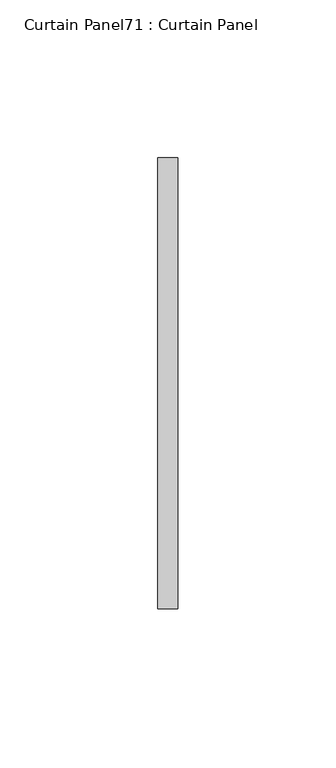
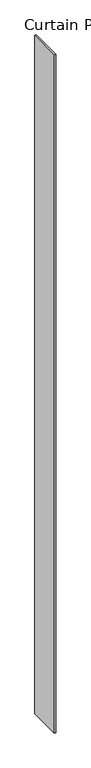
"""IFC4 building model written with IfcOpenShell, lengths in millimetres: plate geometry, Curtain Panel71 : Curtain Panel."""

from ifc_helpers import new_model, si_unit, frame, origin, place, context, project, spatial, polyline, outline, extrude, source, transform, mapped, element, save


def curtain_panel71_curtain_panel_1caaf69d(model_context):
    return source(origin(), model_context, "Body", "SweptSolid", [
        extrude(outline(polyline([(838395.4469482, 2333.8865328), (838395.4469482, 2191.0115287), (838389.0969482, 2191.0115287), (838389.0969482, 2333.8865328), (838395.4469482, 2333.8865328)])), frame((0.0, 0.0, 3136.8926964), z_axis=(0.0, 0.0, 1.0), x_axis=(1.0, 0.0, 0.0)), (0.0, 0.0, 1.0), 3048.0),
    ])


if __name__ == "__main__":
    model = new_model("IFC4")
    model_context = context("Model", 3, world=origin())
    ifc_project = project(units=[si_unit("LENGTHUNIT", "METRE", prefix="MILLI")], contexts=[model_context])
    site = spatial("IfcSite", under=ifc_project)
    building = spatial("IfcBuilding", under=site)
    placement = place(None, origin())
    curtain_panel71_curtain_panel_shape = curtain_panel71_curtain_panel_1caaf69d(model_context)
    element("IfcPlate", 1, ObjectType="Curtain Panel71 : Curtain Panel", at=placement, inside=building, context=model_context, shape_type="MappedRepresentation", body=[
        mapped(curtain_panel71_curtain_panel_shape, transform((0.0, 0.0, 0.0), x_axis=(1.0, 0.0, 0.0), y_axis=(0.0, 1.0, 0.0), z_axis=(0.0, 0.0, 1.0))),
    ])
    save(model, "model.ifc")
